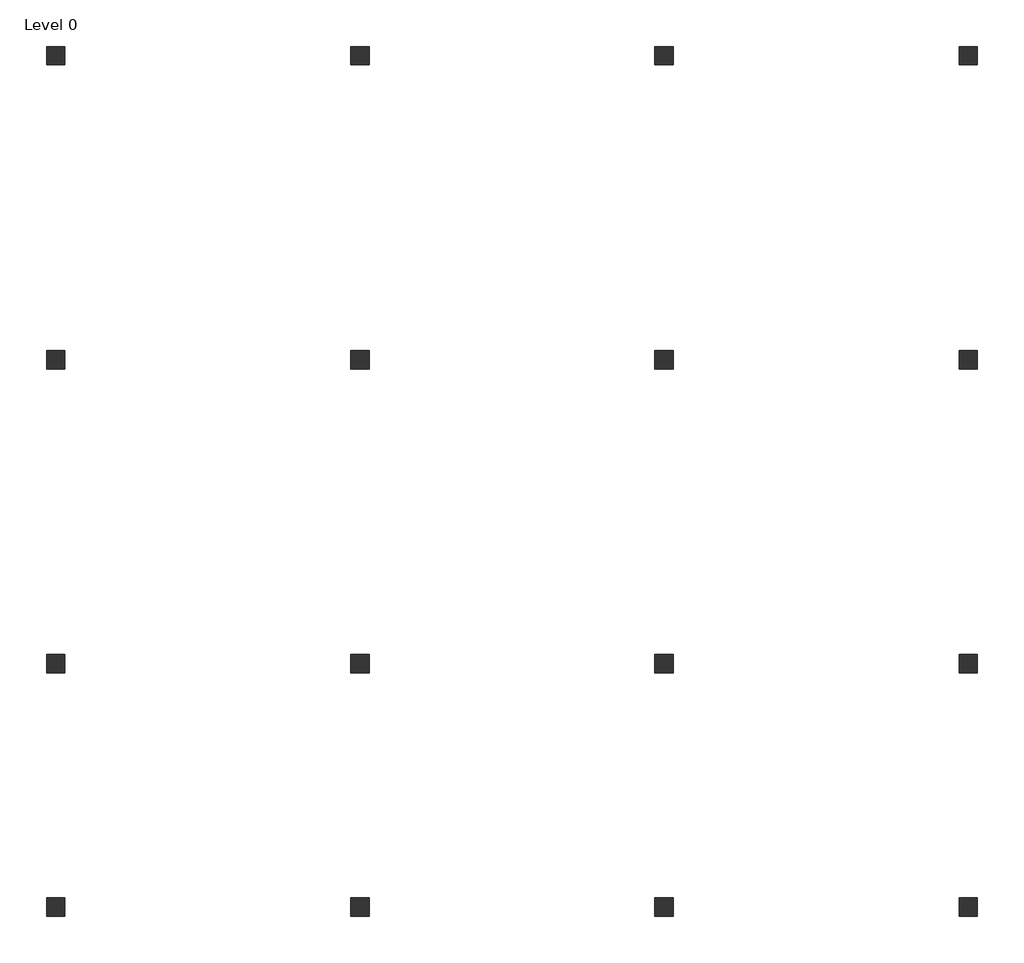
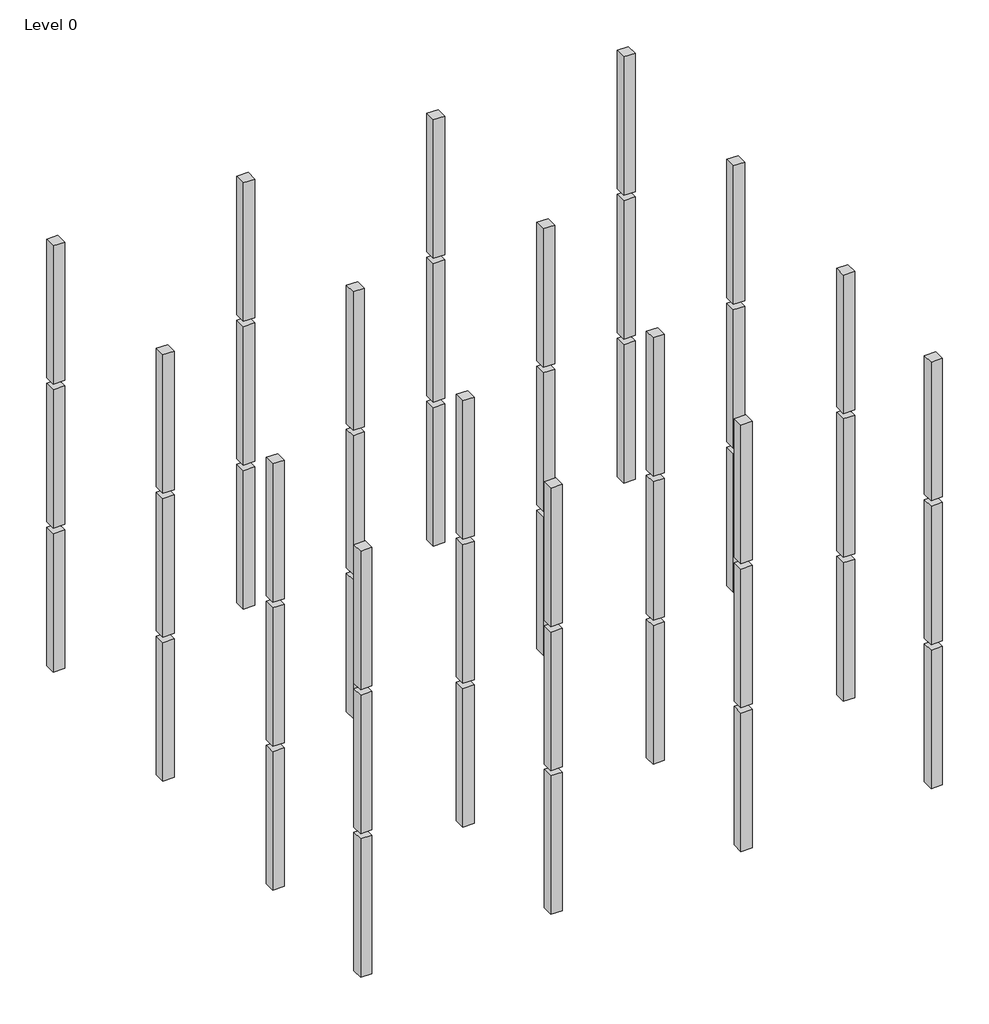
# One storey: 16 columns.
"""IFC4 building model written with IfcOpenShell, lengths in millimetres."""

import ifcopenshell
import ifcopenshell.guid

model = None  # the IFC model being written
_history = None  # IfcOwnerHistory: only IFC2X3 demands one
_inside = {}  # id of a spatial element -> (the spatial element, [elements in it])
_under = {}  # id of a project, library or spatial element -> (it, [spatial elements below it])
_declared = {}  # id of a project -> (the project, [libraries it declares])
_typed = {}  # id of a type object -> (the type object, [elements of that type])
_made_of = {}  # id of a material, layer set ... -> (it, [elements and type objects made of it])


def new_model(schema):
    """Start an empty IFC model of exactly this schema.

    Asked for "IFC4X3", IfcOpenShell would pick the latest addendum, in which some entities
    have other attributes; the version numbers below select the first issue.
    IFC2X3 requires an IfcOwnerHistory on every rooted entity: one is made here for all.
    """
    global model, _history
    if schema == "IFC4X3":
        model = ifcopenshell.file(schema_version=(4, 3, 0, 0))
    else:
        model = ifcopenshell.file(schema=schema)
    _inside.clear()
    _under.clear()
    _declared.clear()
    _typed.clear()
    _made_of.clear()
    _history = None
    if model.schema == "IFC2X3":
        org = make("IfcOrganization", Name="unknown")
        user = make(
            "IfcPersonAndOrganization",
            ThePerson=make("IfcPerson", FamilyName="unknown"),
            TheOrganization=org,
        )
        app = make(
            "IfcApplication",
            ApplicationDeveloper=org,
            Version="unknown",
            ApplicationFullName="unknown",
            ApplicationIdentifier="unknown",
        )
        _history = make(
            "IfcOwnerHistory",
            OwningUser=user,
            OwningApplication=app,
            ChangeAction="ADDED",
            CreationDate=0,
        )
    return model


def make(cls, **values):
    """One entity of the class cls with the attributes given. An attribute that is None is left unset."""
    return model.create_entity(
        cls, **{name: value for name, value in values.items() if value is not None}
    )


def rooted(cls, **values):
    """An entity with a GlobalId (a new one), such as an element, a storey or a relation."""
    return make(cls, GlobalId=ifcopenshell.guid.new(), OwnerHistory=_history, **values)


def si_unit(unit_type, name, prefix=None):
    """IfcSIUnit, for example si_unit("LENGTHUNIT", "METRE", prefix="MILLI")."""
    return make("IfcSIUnit", UnitType=unit_type, Prefix=prefix, Name=name)


def assignment(units):
    """IfcUnitAssignment: the units of a project."""
    return None if units is None else make("IfcUnitAssignment", Units=units)


def point(xyz):
    """IfcCartesianPoint."""
    return None if xyz is None else make("IfcCartesianPoint", Coordinates=xyz)


def direction(xyz):
    """IfcDirection."""
    return None if xyz is None else make("IfcDirection", DirectionRatios=xyz)


def frame(location, z_axis=None, x_axis=None):
    """IfcAxis2Placement3D, a coordinate frame: its origin and axes. An axis left out is left unset."""
    return make(
        "IfcAxis2Placement3D",
        Location=point(location),
        Axis=direction(z_axis),
        RefDirection=direction(x_axis),
    )


def origin():
    """The frame at (0, 0, 0) with its axes left unset."""
    return frame((0.0, 0.0, 0.0))


def origin_with_axes():
    """The frame at (0, 0, 0) with the z axis (0, 0, 1) and the x axis (1, 0, 0) written out."""
    return frame((0.0, 0.0, 0.0), z_axis=(0.0, 0.0, 1.0), x_axis=(1.0, 0.0, 0.0))


def place(relative_to, where):
    """IfcLocalPlacement: puts the frame where relative to a parent placement (None: the world)."""
    return make(
        "IfcLocalPlacement", PlacementRelTo=relative_to, RelativePlacement=where
    )


def context(
    kind, dimensions, precision=None, world=None, true_north=None, identifier=None
):
    """IfcGeometricRepresentationContext, for example the 3D "Model" context."""
    return make(
        "IfcGeometricRepresentationContext",
        ContextIdentifier=identifier,
        ContextType=kind,
        CoordinateSpaceDimension=dimensions,
        Precision=precision,
        WorldCoordinateSystem=world,
        TrueNorth=true_north,
    )


def project(units=None, contexts=None):
    """IfcProject with its units and contexts."""
    return rooted(
        "IfcProject",
        Name="project",
        RepresentationContexts=contexts,
        UnitsInContext=assignment(units),
    )


def spatial(cls, under=None, at=None, **own):
    """A site, building, storey or space (cls), placed at a placement, below another one or the project."""
    s = rooted(cls, ObjectPlacement=at, **own)
    if under is not None:
        _under.setdefault(under.id(), (under, []))[1].append(s)
    return s


def polyline(points):
    """IfcPolyline through the points."""
    return make("IfcPolyline", Points=[point(p) for p in points])


def outline(outer, holes=None, kind="AREA"):
    """IfcArbitraryClosedProfileDef: a profile drawn as a closed curve; with holes, ...WithVoids."""
    if holes is None:
        return make("IfcArbitraryClosedProfileDef", ProfileType=kind, OuterCurve=outer)
    return make(
        "IfcArbitraryProfileDefWithVoids",
        ProfileType=kind,
        OuterCurve=outer,
        InnerCurves=holes,
    )


def extrude(swept, where, along, depth):
    """IfcExtrudedAreaSolid: the profile swept, set in the frame where, extruded along a direction by depth."""
    return make(
        "IfcExtrudedAreaSolid",
        SweptArea=swept,
        Position=where,
        ExtrudedDirection=direction(along),
        Depth=depth,
    )


def faces_of(points, faces, orient=None, outer=None):
    """IfcFace entities. A face is a list of loops; a loop is a list of indices into points, from 0.

    orient and outer hold one flag for each loop. By default every Orientation is true, the
    first loop of a face is its IfcFaceOuterBound and the others are IfcFaceBound.
    """
    made = []
    for i, loops in enumerate(faces):
        bounds = []
        for j, loop in enumerate(loops):
            is_outer = j == 0 if outer is None else outer[i][j]
            bounds.append(
                make(
                    "IfcFaceOuterBound" if is_outer else "IfcFaceBound",
                    Bound=make("IfcPolyLoop", Polygon=[points[k] for k in loop]),
                    Orientation=True if orient is None else orient[i][j],
                )
            )
        made.append(make("IfcFace", Bounds=bounds))
    return made


def faceted_brep(points, faces, orient=None, outer=None, voids=None):
    """IfcFacetedBrep: a solid bounded by flat faces; with voids (closed shells), ...WithVoids."""
    shared = [point(p) for p in points]
    hull = make("IfcClosedShell", CfsFaces=faces_of(shared, faces, orient, outer))
    if voids is None:
        return make("IfcFacetedBrep", Outer=hull)
    return make(
        "IfcFacetedBrepWithVoids",
        Outer=hull,
        Voids=[
            make(cls, CfsFaces=faces_of(shared, fs, o, b)) for cls, fs, o, b in voids
        ],
    )


def shape(context_of_items, identifier, shape_type, items):
    """IfcShapeRepresentation: the items that make up one representation, for example the "Body"."""
    return make(
        "IfcShapeRepresentation",
        ContextOfItems=context_of_items,
        RepresentationIdentifier=identifier,
        RepresentationType=shape_type,
        Items=items,
    )


def made_of(thing, what):
    """Note that an element or type object is made of a material, layer set ...; save() writes the relation."""
    if what is not None:
        _made_of.setdefault(what.id(), (what, []))[1].append(thing)
    return thing


def element(
    cls,
    number,
    at=None,
    inside=None,
    cuts=None,
    type_object=None,
    material=None,
    context=None,
    identifier="Body",
    shape_type=None,
    held_by="IfcProductDefinitionShape",
    body=None,
    shapes=None,
    **own,
):
    """One element of the class cls, such as IfcWall. Its Tag is "e" and its number.

    at: its placement. inside: the storey or other place that contains it. cuts: it is an
    opening in that element (IfcRelVoidsElement). A single representation is given by context,
    identifier, shape_type and body (its items); several are given by shapes. held_by: the class
    of the entity that holds the representations. save() writes the other relations.
    """
    e = rooted(cls, Tag="e%d" % number, ObjectPlacement=at, **own)
    if body is not None:
        shapes = [shape(context, identifier, shape_type, body)]
    if shapes is not None:
        e.Representation = make(held_by, Representations=shapes)
    if inside is not None:
        _inside.setdefault(inside.id(), (inside, []))[1].append(e)
    if cuts is not None:
        rooted(
            "IfcRelVoidsElement", RelatingBuildingElement=cuts, RelatedOpeningElement=e
        )
    if type_object is not None:
        _typed.setdefault(type_object.id(), (type_object, []))[1].append(e)
    return made_of(e, material)


def aggregate(whole, parts):
    """IfcRelAggregates: a whole, such as a stair, and the parts it consists of."""
    return rooted("IfcRelAggregates", RelatingObject=whole, RelatedObjects=parts)


def save(model, path):
    """Write the relations noted so far, then the file.

    IfcRelAggregates (storeys below a building ...), IfcRelContainedInSpatialStructure (elements
    in a storey), IfcRelDefinesByType, IfcRelAssociatesMaterial and IfcRelDeclares: one each for
    every whole, place, type object, material and project.
    """
    for whole, parts in _under.values():
        aggregate(whole, parts)
    for where, things in _inside.values():
        rooted(
            "IfcRelContainedInSpatialStructure",
            RelatedElements=things,
            RelatingStructure=where,
        )
    for kind, things in _typed.values():
        rooted("IfcRelDefinesByType", RelatedObjects=things, RelatingType=kind)
    for what, things in _made_of.values():
        rooted("IfcRelAssociatesMaterial", RelatedObjects=things, RelatingMaterial=what)
    for by, libraries in _declared.values():
        rooted("IfcRelDeclares", RelatingContext=by, RelatedDefinitions=libraries)
    model.write(path)


model = new_model("IFC4")

# Units and contexts
model_context = context("Model", 3, world=origin())
ifc_project = project(units=[si_unit("LENGTHUNIT", "METRE", prefix="MILLI")], contexts=[model_context])

# Site, building, storey
site = spatial("IfcSite", under=ifc_project)
building = spatial("IfcBuilding", under=site)
storey = spatial("IfcBuildingStorey", under=building, Name="Level 0", Elevation=0.0)

# Columns
placement = place(None, origin())
element("IfcColumn", 1, ObjectType="M_Concrete-Square-Column : 300 x 300mm", at=placement, inside=storey, context=model_context, shape_type="SweptSolid", body=[
    extrude(outline(polyline([(-47341.1943878, -36458.351884), (-47341.1943878, -36758.351884), (-47641.1943878, -36758.351884), (-47641.1943878, -36458.351884), (-47341.1943878, -36458.351884)])), origin_with_axes(), (0.0, 0.0, 1.0), 3850.0),
    extrude(outline(polyline([(-47341.1943878, -36458.351884), (-47341.1943878, -36758.351884), (-47641.1943878, -36758.351884), (-47641.1943878, -36458.351884), (-47341.1943878, -36458.351884)])), frame((0.0, 0.0, 8000.0), z_axis=(0.0, 0.0, 1.0), x_axis=(1.0, 0.0, 0.0)), (0.0, 0.0, 1.0), 3850.0),
    extrude(outline(polyline([(-47341.1943878, -36458.351884), (-47341.1943878, -36758.351884), (-47641.1943878, -36758.351884), (-47641.1943878, -36458.351884), (-47341.1943878, -36458.351884)])), frame((0.0, 0.0, 4000.0), z_axis=(0.0, 0.0, 1.0), x_axis=(1.0, 0.0, 0.0)), (0.0, 0.0, 1.0), 3850.0),
])
element("IfcColumn", 2, ObjectType="M_Concrete-Square-Column : 300 x 300mm", at=placement, inside=storey, context=model_context, shape_type="Brep", body=[
    faceted_brep([(-47341.1943878, -32458.351884, 0.0), (-47341.1943878, -32758.351884, 0.0), (-47641.1943878, -32758.351884, 0.0), (-47641.1943878, -32458.351884, 0.0), (-47341.1943878, -32758.351884, 3850.0), (-47341.1943878, -32458.351884, 3850.0), (-47641.1943878, -32458.351884, 3850.0), (-47641.1943878, -32758.351884, 3850.0), (-47341.1943878, -32458.351884, 3400.0), (-47341.1943878, -32758.351884, 3400.0), (-47641.1943878, -32758.351884, 3400.0), (-47641.1943878, -32458.351884, 3400.0)], [[[0, 1, 2, 3]], [[4, 5, 6, 7]], [[1, 0, 8, 5, 4, 9]], [[2, 1, 9, 4, 7, 10]], [[3, 2, 10, 7, 6, 11]], [[0, 3, 11, 6, 5, 8]]]),
    faceted_brep([(-47341.1943878, -32758.351884, 8000.0), (-47341.1943878, -32458.351884, 8000.0), (-47341.1943878, -32458.351884, 11400.0), (-47341.1943878, -32458.351884, 11850.0), (-47341.1943878, -32758.351884, 11850.0), (-47341.1943878, -32758.351884, 11400.0), (-47641.1943878, -32758.351884, 8000.0), (-47641.1943878, -32758.351884, 11850.0), (-47641.1943878, -32758.351884, 11400.0), (-47641.1943878, -32458.351884, 8000.0), (-47641.1943878, -32458.351884, 11850.0), (-47641.1943878, -32458.351884, 11400.0)], [[[0, 1, 2, 3, 4, 5]], [[6, 0, 5, 4, 7, 8]], [[9, 6, 8, 7, 10, 11]], [[1, 9, 11, 10, 3, 2]], [[1, 0, 6, 9]], [[4, 3, 10, 7]]]),
    faceted_brep([(-47341.1943878, -32458.351884, 4000.0), (-47341.1943878, -32758.351884, 4000.0), (-47641.1943878, -32758.351884, 4000.0), (-47641.1943878, -32458.351884, 4000.0), (-47341.1943878, -32758.351884, 7850.0), (-47341.1943878, -32458.351884, 7850.0), (-47641.1943878, -32458.351884, 7850.0), (-47641.1943878, -32758.351884, 7850.0), (-47341.1943878, -32458.351884, 7400.0), (-47341.1943878, -32758.351884, 7400.0), (-47641.1943878, -32758.351884, 7400.0), (-47641.1943878, -32458.351884, 7400.0)], [[[0, 1, 2, 3]], [[4, 5, 6, 7]], [[1, 0, 8, 5, 4, 9]], [[2, 1, 9, 4, 7, 10]], [[3, 2, 10, 7, 6, 11]], [[0, 3, 11, 6, 5, 8]]]),
])
element("IfcColumn", 3, ObjectType="M_Concrete-Square-Column : 300 x 300mm", at=placement, inside=storey, context=model_context, shape_type="Brep", body=[
    faceted_brep([(-47341.1943878, -27458.351884, 0.0), (-47341.1943878, -27758.351884, 0.0), (-47641.1943878, -27758.351884, 0.0), (-47641.1943878, -27458.351884, 0.0), (-47341.1943878, -27758.351884, 3850.0), (-47341.1943878, -27458.351884, 3850.0), (-47641.1943878, -27458.351884, 3850.0), (-47641.1943878, -27758.351884, 3850.0), (-47341.1943878, -27458.351884, 3400.0), (-47341.1943878, -27758.351884, 3400.0), (-47641.1943878, -27758.351884, 3400.0), (-47641.1943878, -27458.351884, 3400.0)], [[[0, 1, 2, 3]], [[4, 5, 6, 7]], [[1, 0, 8, 5, 4, 9]], [[2, 1, 9, 4, 7, 10]], [[3, 2, 10, 7, 6, 11]], [[0, 3, 11, 6, 5, 8]]]),
    faceted_brep([(-47341.1943878, -27758.351884, 8000.0), (-47341.1943878, -27458.351884, 8000.0), (-47341.1943878, -27458.351884, 11400.0), (-47341.1943878, -27458.351884, 11850.0), (-47341.1943878, -27758.351884, 11850.0), (-47341.1943878, -27758.351884, 11400.0), (-47641.1943878, -27758.351884, 8000.0), (-47641.1943878, -27758.351884, 11850.0), (-47641.1943878, -27758.351884, 11400.0), (-47641.1943878, -27458.351884, 8000.0), (-47641.1943878, -27458.351884, 11850.0), (-47641.1943878, -27458.351884, 11400.0)], [[[0, 1, 2, 3, 4, 5]], [[6, 0, 5, 4, 7, 8]], [[9, 6, 8, 7, 10, 11]], [[1, 9, 11, 10, 3, 2]], [[1, 0, 6, 9]], [[4, 3, 10, 7]]]),
    faceted_brep([(-47341.1943878, -27458.351884, 4000.0), (-47341.1943878, -27758.351884, 4000.0), (-47641.1943878, -27758.351884, 4000.0), (-47641.1943878, -27458.351884, 4000.0), (-47341.1943878, -27758.351884, 7850.0), (-47341.1943878, -27458.351884, 7850.0), (-47641.1943878, -27458.351884, 7850.0), (-47641.1943878, -27758.351884, 7850.0), (-47341.1943878, -27458.351884, 7400.0), (-47341.1943878, -27758.351884, 7400.0), (-47641.1943878, -27758.351884, 7400.0), (-47641.1943878, -27458.351884, 7400.0)], [[[0, 1, 2, 3]], [[4, 5, 6, 7]], [[1, 0, 8, 5, 4, 9]], [[2, 1, 9, 4, 7, 10]], [[3, 2, 10, 7, 6, 11]], [[0, 3, 11, 6, 5, 8]]]),
])
element("IfcColumn", 4, ObjectType="M_Concrete-Square-Column : 300 x 300mm", at=placement, inside=storey, context=model_context, shape_type="SweptSolid", body=[
    extrude(outline(polyline([(-47341.1943878, -22458.351884), (-47341.1943878, -22758.351884), (-47641.1943878, -22758.351884), (-47641.1943878, -22458.351884), (-47341.1943878, -22458.351884)])), origin_with_axes(), (0.0, 0.0, 1.0), 3850.0),
    extrude(outline(polyline([(-47341.1943878, -22458.351884), (-47341.1943878, -22758.351884), (-47641.1943878, -22758.351884), (-47641.1943878, -22458.351884), (-47341.1943878, -22458.351884)])), frame((0.0, 0.0, 8000.0), z_axis=(0.0, 0.0, 1.0), x_axis=(1.0, 0.0, 0.0)), (0.0, 0.0, 1.0), 3850.0),
    extrude(outline(polyline([(-47341.1943878, -22458.351884), (-47341.1943878, -22758.351884), (-47641.1943878, -22758.351884), (-47641.1943878, -22458.351884), (-47341.1943878, -22458.351884)])), frame((0.0, 0.0, 4000.0), z_axis=(0.0, 0.0, 1.0), x_axis=(1.0, 0.0, 0.0)), (0.0, 0.0, 1.0), 3850.0),
])
element("IfcColumn", 5, ObjectType="M_Concrete-Square-Column : 300 x 300mm", at=placement, inside=storey, context=model_context, shape_type="Brep", body=[
    faceted_brep([(-42341.1943878, -36458.351884, 0.0), (-42341.1943878, -36758.351884, 0.0), (-42641.1943878, -36758.351884, 0.0), (-42641.1943878, -36458.351884, 0.0), (-42341.1943878, -36758.351884, 3850.0), (-42341.1943878, -36458.351884, 3850.0), (-42641.1943878, -36458.351884, 3850.0), (-42641.1943878, -36758.351884, 3850.0), (-42341.1943878, -36458.351884, 3400.0), (-42341.1943878, -36758.351884, 3400.0), (-42641.1943878, -36758.351884, 3400.0), (-42641.1943878, -36458.351884, 3400.0)], [[[0, 1, 2, 3]], [[4, 5, 6, 7]], [[1, 0, 8, 5, 4, 9]], [[2, 1, 9, 4, 7, 10]], [[3, 2, 10, 7, 6, 11]], [[0, 3, 11, 6, 5, 8]]]),
    faceted_brep([(-42341.1943878, -36758.351884, 8000.0), (-42341.1943878, -36458.351884, 8000.0), (-42341.1943878, -36458.351884, 11400.0), (-42341.1943878, -36458.351884, 11850.0), (-42341.1943878, -36758.351884, 11850.0), (-42341.1943878, -36758.351884, 11400.0), (-42641.1943878, -36758.351884, 8000.0), (-42641.1943878, -36758.351884, 11850.0), (-42641.1943878, -36758.351884, 11400.0), (-42641.1943878, -36458.351884, 8000.0), (-42641.1943878, -36458.351884, 11850.0), (-42641.1943878, -36458.351884, 11400.0)], [[[0, 1, 2, 3, 4, 5]], [[6, 0, 5, 4, 7, 8]], [[9, 6, 8, 7, 10, 11]], [[1, 9, 11, 10, 3, 2]], [[1, 0, 6, 9]], [[4, 3, 10, 7]]]),
    faceted_brep([(-42341.1943878, -36458.351884, 4000.0), (-42341.1943878, -36758.351884, 4000.0), (-42641.1943878, -36758.351884, 4000.0), (-42641.1943878, -36458.351884, 4000.0), (-42341.1943878, -36758.351884, 7850.0), (-42341.1943878, -36458.351884, 7850.0), (-42641.1943878, -36458.351884, 7850.0), (-42641.1943878, -36758.351884, 7850.0), (-42341.1943878, -36458.351884, 7400.0), (-42341.1943878, -36758.351884, 7400.0), (-42641.1943878, -36758.351884, 7400.0), (-42641.1943878, -36458.351884, 7400.0)], [[[0, 1, 2, 3]], [[4, 5, 6, 7]], [[1, 0, 8, 5, 4, 9]], [[2, 1, 9, 4, 7, 10]], [[3, 2, 10, 7, 6, 11]], [[0, 3, 11, 6, 5, 8]]]),
])
element("IfcColumn", 6, ObjectType="M_Concrete-Square-Column : 300 x 300mm", at=placement, inside=storey, context=model_context, shape_type="Brep", body=[
    faceted_brep([(-42341.1943878, -32458.351884, 0.0), (-42341.1943878, -32758.351884, 0.0), (-42641.1943878, -32758.351884, 0.0), (-42641.1943878, -32458.351884, 0.0), (-42341.1943878, -32758.351884, 3850.0), (-42341.1943878, -32458.351884, 3850.0), (-42641.1943878, -32458.351884, 3850.0), (-42641.1943878, -32758.351884, 3850.0), (-42341.1943878, -32458.351884, 3400.0), (-42341.1943878, -32758.351884, 3400.0), (-42641.1943878, -32758.351884, 3400.0), (-42641.1943878, -32458.351884, 3400.0)], [[[0, 1, 2, 3]], [[4, 5, 6, 7]], [[1, 0, 8, 5, 4, 9]], [[2, 1, 9, 4, 7, 10]], [[3, 2, 10, 7, 6, 11]], [[0, 3, 11, 6, 5, 8]]]),
    faceted_brep([(-42341.1943878, -32758.351884, 8000.0), (-42341.1943878, -32458.351884, 8000.0), (-42341.1943878, -32458.351884, 11400.0), (-42341.1943878, -32458.351884, 11850.0), (-42341.1943878, -32758.351884, 11850.0), (-42341.1943878, -32758.351884, 11400.0), (-42641.1943878, -32758.351884, 8000.0), (-42641.1943878, -32758.351884, 11850.0), (-42641.1943878, -32758.351884, 11400.0), (-42641.1943878, -32458.351884, 8000.0), (-42641.1943878, -32458.351884, 11850.0), (-42641.1943878, -32458.351884, 11400.0)], [[[0, 1, 2, 3, 4, 5]], [[6, 0, 5, 4, 7, 8]], [[9, 6, 8, 7, 10, 11]], [[1, 9, 11, 10, 3, 2]], [[1, 0, 6, 9]], [[4, 3, 10, 7]]]),
    faceted_brep([(-42341.1943878, -32458.351884, 4000.0), (-42341.1943878, -32758.351884, 4000.0), (-42641.1943878, -32758.351884, 4000.0), (-42641.1943878, -32458.351884, 4000.0), (-42341.1943878, -32758.351884, 7850.0), (-42341.1943878, -32458.351884, 7850.0), (-42641.1943878, -32458.351884, 7850.0), (-42641.1943878, -32758.351884, 7850.0), (-42341.1943878, -32458.351884, 7400.0), (-42341.1943878, -32758.351884, 7400.0), (-42641.1943878, -32758.351884, 7400.0), (-42641.1943878, -32458.351884, 7400.0)], [[[0, 1, 2, 3]], [[4, 5, 6, 7]], [[1, 0, 8, 5, 4, 9]], [[2, 1, 9, 4, 7, 10]], [[3, 2, 10, 7, 6, 11]], [[0, 3, 11, 6, 5, 8]]]),
])
element("IfcColumn", 7, ObjectType="M_Concrete-Square-Column : 300 x 300mm", at=placement, inside=storey, context=model_context, shape_type="Brep", body=[
    faceted_brep([(-42341.1943878, -27458.351884, 0.0), (-42341.1943878, -27758.351884, 0.0), (-42641.1943878, -27758.351884, 0.0), (-42641.1943878, -27458.351884, 0.0), (-42341.1943878, -27758.351884, 3850.0), (-42341.1943878, -27458.351884, 3850.0), (-42641.1943878, -27458.351884, 3850.0), (-42641.1943878, -27758.351884, 3850.0), (-42341.1943878, -27458.351884, 3400.0), (-42341.1943878, -27758.351884, 3400.0), (-42641.1943878, -27758.351884, 3400.0), (-42641.1943878, -27458.351884, 3400.0)], [[[0, 1, 2, 3]], [[4, 5, 6, 7]], [[1, 0, 8, 5, 4, 9]], [[2, 1, 9, 4, 7, 10]], [[3, 2, 10, 7, 6, 11]], [[0, 3, 11, 6, 5, 8]]]),
    faceted_brep([(-42341.1943878, -27758.351884, 8000.0), (-42341.1943878, -27458.351884, 8000.0), (-42341.1943878, -27458.351884, 11400.0), (-42341.1943878, -27458.351884, 11850.0), (-42341.1943878, -27758.351884, 11850.0), (-42341.1943878, -27758.351884, 11400.0), (-42641.1943878, -27758.351884, 8000.0), (-42641.1943878, -27758.351884, 11850.0), (-42641.1943878, -27758.351884, 11400.0), (-42641.1943878, -27458.351884, 8000.0), (-42641.1943878, -27458.351884, 11850.0), (-42641.1943878, -27458.351884, 11400.0)], [[[0, 1, 2, 3, 4, 5]], [[6, 0, 5, 4, 7, 8]], [[9, 6, 8, 7, 10, 11]], [[1, 9, 11, 10, 3, 2]], [[1, 0, 6, 9]], [[4, 3, 10, 7]]]),
    faceted_brep([(-42341.1943878, -27458.351884, 4000.0), (-42341.1943878, -27758.351884, 4000.0), (-42641.1943878, -27758.351884, 4000.0), (-42641.1943878, -27458.351884, 4000.0), (-42341.1943878, -27758.351884, 7850.0), (-42341.1943878, -27458.351884, 7850.0), (-42641.1943878, -27458.351884, 7850.0), (-42641.1943878, -27758.351884, 7850.0), (-42341.1943878, -27458.351884, 7400.0), (-42341.1943878, -27758.351884, 7400.0), (-42641.1943878, -27758.351884, 7400.0), (-42641.1943878, -27458.351884, 7400.0)], [[[0, 1, 2, 3]], [[4, 5, 6, 7]], [[1, 0, 8, 5, 4, 9]], [[2, 1, 9, 4, 7, 10]], [[3, 2, 10, 7, 6, 11]], [[0, 3, 11, 6, 5, 8]]]),
])
element("IfcColumn", 8, ObjectType="M_Concrete-Square-Column : 300 x 300mm", at=placement, inside=storey, context=model_context, shape_type="Brep", body=[
    faceted_brep([(-42341.1943878, -22458.351884, 0.0), (-42341.1943878, -22758.351884, 0.0), (-42641.1943878, -22758.351884, 0.0), (-42641.1943878, -22458.351884, 0.0), (-42341.1943878, -22758.351884, 3850.0), (-42341.1943878, -22458.351884, 3850.0), (-42641.1943878, -22458.351884, 3850.0), (-42641.1943878, -22758.351884, 3850.0), (-42341.1943878, -22458.351884, 3400.0), (-42341.1943878, -22758.351884, 3400.0), (-42641.1943878, -22758.351884, 3400.0), (-42641.1943878, -22458.351884, 3400.0)], [[[0, 1, 2, 3]], [[4, 5, 6, 7]], [[1, 0, 8, 5, 4, 9]], [[2, 1, 9, 4, 7, 10]], [[3, 2, 10, 7, 6, 11]], [[0, 3, 11, 6, 5, 8]]]),
    faceted_brep([(-42341.1943878, -22758.351884, 8000.0), (-42341.1943878, -22458.351884, 8000.0), (-42341.1943878, -22458.351884, 11400.0), (-42341.1943878, -22458.351884, 11850.0), (-42341.1943878, -22758.351884, 11850.0), (-42341.1943878, -22758.351884, 11400.0), (-42641.1943878, -22758.351884, 8000.0), (-42641.1943878, -22758.351884, 11850.0), (-42641.1943878, -22758.351884, 11400.0), (-42641.1943878, -22458.351884, 8000.0), (-42641.1943878, -22458.351884, 11850.0), (-42641.1943878, -22458.351884, 11400.0)], [[[0, 1, 2, 3, 4, 5]], [[6, 0, 5, 4, 7, 8]], [[9, 6, 8, 7, 10, 11]], [[1, 9, 11, 10, 3, 2]], [[1, 0, 6, 9]], [[4, 3, 10, 7]]]),
    faceted_brep([(-42341.1943878, -22458.351884, 4000.0), (-42341.1943878, -22758.351884, 4000.0), (-42641.1943878, -22758.351884, 4000.0), (-42641.1943878, -22458.351884, 4000.0), (-42341.1943878, -22758.351884, 7850.0), (-42341.1943878, -22458.351884, 7850.0), (-42641.1943878, -22458.351884, 7850.0), (-42641.1943878, -22758.351884, 7850.0), (-42341.1943878, -22458.351884, 7400.0), (-42341.1943878, -22758.351884, 7400.0), (-42641.1943878, -22758.351884, 7400.0), (-42641.1943878, -22458.351884, 7400.0)], [[[0, 1, 2, 3]], [[4, 5, 6, 7]], [[1, 0, 8, 5, 4, 9]], [[2, 1, 9, 4, 7, 10]], [[3, 2, 10, 7, 6, 11]], [[0, 3, 11, 6, 5, 8]]]),
])
element("IfcColumn", 9, ObjectType="M_Concrete-Square-Column : 300 x 300mm", at=placement, inside=storey, context=model_context, shape_type="Brep", body=[
    faceted_brep([(-37341.1943878, -36458.351884, 0.0), (-37341.1943878, -36758.351884, 0.0), (-37641.1943878, -36758.351884, 0.0), (-37641.1943878, -36458.351884, 0.0), (-37341.1943878, -36758.351884, 3850.0), (-37341.1943878, -36458.351884, 3850.0), (-37641.1943878, -36458.351884, 3850.0), (-37641.1943878, -36758.351884, 3850.0), (-37341.1943878, -36458.351884, 3400.0), (-37341.1943878, -36758.351884, 3400.0), (-37641.1943878, -36758.351884, 3400.0), (-37641.1943878, -36458.351884, 3400.0)], [[[0, 1, 2, 3]], [[4, 5, 6, 7]], [[1, 0, 8, 5, 4, 9]], [[2, 1, 9, 4, 7, 10]], [[3, 2, 10, 7, 6, 11]], [[0, 3, 11, 6, 5, 8]]]),
    faceted_brep([(-37341.1943878, -36758.351884, 8000.0), (-37341.1943878, -36458.351884, 8000.0), (-37341.1943878, -36458.351884, 11400.0), (-37341.1943878, -36458.351884, 11850.0), (-37341.1943878, -36758.351884, 11850.0), (-37341.1943878, -36758.351884, 11400.0), (-37641.1943878, -36758.351884, 8000.0), (-37641.1943878, -36758.351884, 11850.0), (-37641.1943878, -36758.351884, 11400.0), (-37641.1943878, -36458.351884, 8000.0), (-37641.1943878, -36458.351884, 11850.0), (-37641.1943878, -36458.351884, 11400.0)], [[[0, 1, 2, 3, 4, 5]], [[6, 0, 5, 4, 7, 8]], [[9, 6, 8, 7, 10, 11]], [[1, 9, 11, 10, 3, 2]], [[1, 0, 6, 9]], [[4, 3, 10, 7]]]),
    faceted_brep([(-37341.1943878, -36458.351884, 4000.0), (-37341.1943878, -36758.351884, 4000.0), (-37641.1943878, -36758.351884, 4000.0), (-37641.1943878, -36458.351884, 4000.0), (-37341.1943878, -36758.351884, 7850.0), (-37341.1943878, -36458.351884, 7850.0), (-37641.1943878, -36458.351884, 7850.0), (-37641.1943878, -36758.351884, 7850.0), (-37341.1943878, -36458.351884, 7400.0), (-37341.1943878, -36758.351884, 7400.0), (-37641.1943878, -36758.351884, 7400.0), (-37641.1943878, -36458.351884, 7400.0)], [[[0, 1, 2, 3]], [[4, 5, 6, 7]], [[1, 0, 8, 5, 4, 9]], [[2, 1, 9, 4, 7, 10]], [[3, 2, 10, 7, 6, 11]], [[0, 3, 11, 6, 5, 8]]]),
])
element("IfcColumn", 10, ObjectType="M_Concrete-Square-Column : 300 x 300mm", at=placement, inside=storey, context=model_context, shape_type="Brep", body=[
    faceted_brep([(-37341.1943878, -32458.351884, 0.0), (-37341.1943878, -32758.351884, 0.0), (-37641.1943878, -32758.351884, 0.0), (-37641.1943878, -32458.351884, 0.0), (-37341.1943878, -32758.351884, 3850.0), (-37341.1943878, -32458.351884, 3850.0), (-37641.1943878, -32458.351884, 3850.0), (-37641.1943878, -32758.351884, 3850.0), (-37341.1943878, -32458.351884, 3400.0), (-37341.1943878, -32758.351884, 3400.0), (-37641.1943878, -32758.351884, 3400.0), (-37641.1943878, -32458.351884, 3400.0)], [[[0, 1, 2, 3]], [[4, 5, 6, 7]], [[1, 0, 8, 5, 4, 9]], [[2, 1, 9, 4, 7, 10]], [[3, 2, 10, 7, 6, 11]], [[0, 3, 11, 6, 5, 8]]]),
    faceted_brep([(-37341.1943878, -32758.351884, 8000.0), (-37341.1943878, -32458.351884, 8000.0), (-37341.1943878, -32458.351884, 11400.0), (-37341.1943878, -32458.351884, 11850.0), (-37341.1943878, -32758.351884, 11850.0), (-37341.1943878, -32758.351884, 11400.0), (-37641.1943878, -32758.351884, 8000.0), (-37641.1943878, -32758.351884, 11850.0), (-37641.1943878, -32758.351884, 11400.0), (-37641.1943878, -32458.351884, 8000.0), (-37641.1943878, -32458.351884, 11850.0), (-37641.1943878, -32458.351884, 11400.0)], [[[0, 1, 2, 3, 4, 5]], [[6, 0, 5, 4, 7, 8]], [[9, 6, 8, 7, 10, 11]], [[1, 9, 11, 10, 3, 2]], [[1, 0, 6, 9]], [[4, 3, 10, 7]]]),
    faceted_brep([(-37341.1943878, -32458.351884, 4000.0), (-37341.1943878, -32758.351884, 4000.0), (-37641.1943878, -32758.351884, 4000.0), (-37641.1943878, -32458.351884, 4000.0), (-37341.1943878, -32758.351884, 7850.0), (-37341.1943878, -32458.351884, 7850.0), (-37641.1943878, -32458.351884, 7850.0), (-37641.1943878, -32758.351884, 7850.0), (-37341.1943878, -32458.351884, 7400.0), (-37341.1943878, -32758.351884, 7400.0), (-37641.1943878, -32758.351884, 7400.0), (-37641.1943878, -32458.351884, 7400.0)], [[[0, 1, 2, 3]], [[4, 5, 6, 7]], [[1, 0, 8, 5, 4, 9]], [[2, 1, 9, 4, 7, 10]], [[3, 2, 10, 7, 6, 11]], [[0, 3, 11, 6, 5, 8]]]),
])
element("IfcColumn", 11, ObjectType="M_Concrete-Square-Column : 300 x 300mm", at=placement, inside=storey, context=model_context, shape_type="Brep", body=[
    faceted_brep([(-37341.1943878, -27458.351884, 0.0), (-37341.1943878, -27758.351884, 0.0), (-37641.1943878, -27758.351884, 0.0), (-37641.1943878, -27458.351884, 0.0), (-37341.1943878, -27758.351884, 3850.0), (-37341.1943878, -27458.351884, 3850.0), (-37641.1943878, -27458.351884, 3850.0), (-37641.1943878, -27758.351884, 3850.0), (-37341.1943878, -27458.351884, 3400.0), (-37341.1943878, -27758.351884, 3400.0), (-37641.1943878, -27758.351884, 3400.0), (-37641.1943878, -27458.351884, 3400.0)], [[[0, 1, 2, 3]], [[4, 5, 6, 7]], [[1, 0, 8, 5, 4, 9]], [[2, 1, 9, 4, 7, 10]], [[3, 2, 10, 7, 6, 11]], [[0, 3, 11, 6, 5, 8]]]),
    faceted_brep([(-37341.1943878, -27758.351884, 8000.0), (-37341.1943878, -27458.351884, 8000.0), (-37341.1943878, -27458.351884, 11400.0), (-37341.1943878, -27458.351884, 11850.0), (-37341.1943878, -27758.351884, 11850.0), (-37341.1943878, -27758.351884, 11400.0), (-37641.1943878, -27758.351884, 8000.0), (-37641.1943878, -27758.351884, 11850.0), (-37641.1943878, -27758.351884, 11400.0), (-37641.1943878, -27458.351884, 8000.0), (-37641.1943878, -27458.351884, 11850.0), (-37641.1943878, -27458.351884, 11400.0)], [[[0, 1, 2, 3, 4, 5]], [[6, 0, 5, 4, 7, 8]], [[9, 6, 8, 7, 10, 11]], [[1, 9, 11, 10, 3, 2]], [[1, 0, 6, 9]], [[4, 3, 10, 7]]]),
    faceted_brep([(-37341.1943878, -27458.351884, 4000.0), (-37341.1943878, -27758.351884, 4000.0), (-37641.1943878, -27758.351884, 4000.0), (-37641.1943878, -27458.351884, 4000.0), (-37341.1943878, -27758.351884, 7850.0), (-37341.1943878, -27458.351884, 7850.0), (-37641.1943878, -27458.351884, 7850.0), (-37641.1943878, -27758.351884, 7850.0), (-37341.1943878, -27458.351884, 7400.0), (-37341.1943878, -27758.351884, 7400.0), (-37641.1943878, -27758.351884, 7400.0), (-37641.1943878, -27458.351884, 7400.0)], [[[0, 1, 2, 3]], [[4, 5, 6, 7]], [[1, 0, 8, 5, 4, 9]], [[2, 1, 9, 4, 7, 10]], [[3, 2, 10, 7, 6, 11]], [[0, 3, 11, 6, 5, 8]]]),
])
element("IfcColumn", 12, ObjectType="M_Concrete-Square-Column : 300 x 300mm", at=placement, inside=storey, context=model_context, shape_type="Brep", body=[
    faceted_brep([(-37341.1943878, -22458.351884, 0.0), (-37341.1943878, -22758.351884, 0.0), (-37641.1943878, -22758.351884, 0.0), (-37641.1943878, -22458.351884, 0.0), (-37341.1943878, -22758.351884, 3850.0), (-37341.1943878, -22458.351884, 3850.0), (-37641.1943878, -22458.351884, 3850.0), (-37641.1943878, -22758.351884, 3850.0), (-37341.1943878, -22458.351884, 3400.0), (-37341.1943878, -22758.351884, 3400.0), (-37641.1943878, -22758.351884, 3400.0), (-37641.1943878, -22458.351884, 3400.0)], [[[0, 1, 2, 3]], [[4, 5, 6, 7]], [[1, 0, 8, 5, 4, 9]], [[2, 1, 9, 4, 7, 10]], [[3, 2, 10, 7, 6, 11]], [[0, 3, 11, 6, 5, 8]]]),
    faceted_brep([(-37341.1943878, -22758.351884, 8000.0), (-37341.1943878, -22458.351884, 8000.0), (-37341.1943878, -22458.351884, 11400.0), (-37341.1943878, -22458.351884, 11850.0), (-37341.1943878, -22758.351884, 11850.0), (-37341.1943878, -22758.351884, 11400.0), (-37641.1943878, -22758.351884, 8000.0), (-37641.1943878, -22758.351884, 11850.0), (-37641.1943878, -22758.351884, 11400.0), (-37641.1943878, -22458.351884, 8000.0), (-37641.1943878, -22458.351884, 11850.0), (-37641.1943878, -22458.351884, 11400.0)], [[[0, 1, 2, 3, 4, 5]], [[6, 0, 5, 4, 7, 8]], [[9, 6, 8, 7, 10, 11]], [[1, 9, 11, 10, 3, 2]], [[1, 0, 6, 9]], [[4, 3, 10, 7]]]),
    faceted_brep([(-37341.1943878, -22458.351884, 4000.0), (-37341.1943878, -22758.351884, 4000.0), (-37641.1943878, -22758.351884, 4000.0), (-37641.1943878, -22458.351884, 4000.0), (-37341.1943878, -22758.351884, 7850.0), (-37341.1943878, -22458.351884, 7850.0), (-37641.1943878, -22458.351884, 7850.0), (-37641.1943878, -22758.351884, 7850.0), (-37341.1943878, -22458.351884, 7400.0), (-37341.1943878, -22758.351884, 7400.0), (-37641.1943878, -22758.351884, 7400.0), (-37641.1943878, -22458.351884, 7400.0)], [[[0, 1, 2, 3]], [[4, 5, 6, 7]], [[1, 0, 8, 5, 4, 9]], [[2, 1, 9, 4, 7, 10]], [[3, 2, 10, 7, 6, 11]], [[0, 3, 11, 6, 5, 8]]]),
])
element("IfcColumn", 13, ObjectType="M_Concrete-Square-Column : 300 x 300mm", at=placement, inside=storey, context=model_context, shape_type="SweptSolid", body=[
    extrude(outline(polyline([(-32341.1943878, -36458.351884), (-32341.1943878, -36758.351884), (-32641.1943878, -36758.351884), (-32641.1943878, -36458.351884), (-32341.1943878, -36458.351884)])), origin_with_axes(), (0.0, 0.0, 1.0), 3850.0),
    extrude(outline(polyline([(-32341.1943878, -36458.351884), (-32341.1943878, -36758.351884), (-32641.1943878, -36758.351884), (-32641.1943878, -36458.351884), (-32341.1943878, -36458.351884)])), frame((0.0, 0.0, 8000.0), z_axis=(0.0, 0.0, 1.0), x_axis=(1.0, 0.0, 0.0)), (0.0, 0.0, 1.0), 3850.0),
    extrude(outline(polyline([(-32341.1943878, -36458.351884), (-32341.1943878, -36758.351884), (-32641.1943878, -36758.351884), (-32641.1943878, -36458.351884), (-32341.1943878, -36458.351884)])), frame((0.0, 0.0, 4000.0), z_axis=(0.0, 0.0, 1.0), x_axis=(1.0, 0.0, 0.0)), (0.0, 0.0, 1.0), 3850.0),
])
element("IfcColumn", 14, ObjectType="M_Concrete-Square-Column : 300 x 300mm", at=placement, inside=storey, context=model_context, shape_type="Brep", body=[
    faceted_brep([(-32341.1943878, -32458.351884, 0.0), (-32341.1943878, -32758.351884, 0.0), (-32641.1943878, -32758.351884, 0.0), (-32641.1943878, -32458.351884, 0.0), (-32341.1943878, -32758.351884, 3850.0), (-32341.1943878, -32458.351884, 3850.0), (-32641.1943878, -32458.351884, 3850.0), (-32641.1943878, -32758.351884, 3850.0), (-32341.1943878, -32458.351884, 3400.0), (-32341.1943878, -32758.351884, 3400.0), (-32641.1943878, -32758.351884, 3400.0), (-32641.1943878, -32458.351884, 3400.0)], [[[0, 1, 2, 3]], [[4, 5, 6, 7]], [[1, 0, 8, 5, 4, 9]], [[2, 1, 9, 4, 7, 10]], [[3, 2, 10, 7, 6, 11]], [[0, 3, 11, 6, 5, 8]]]),
    faceted_brep([(-32341.1943878, -32758.351884, 8000.0), (-32341.1943878, -32458.351884, 8000.0), (-32341.1943878, -32458.351884, 11400.0), (-32341.1943878, -32458.351884, 11850.0), (-32341.1943878, -32758.351884, 11850.0), (-32341.1943878, -32758.351884, 11400.0), (-32641.1943878, -32758.351884, 8000.0), (-32641.1943878, -32758.351884, 11850.0), (-32641.1943878, -32758.351884, 11400.0), (-32641.1943878, -32458.351884, 8000.0), (-32641.1943878, -32458.351884, 11850.0), (-32641.1943878, -32458.351884, 11400.0)], [[[0, 1, 2, 3, 4, 5]], [[6, 0, 5, 4, 7, 8]], [[9, 6, 8, 7, 10, 11]], [[1, 9, 11, 10, 3, 2]], [[1, 0, 6, 9]], [[4, 3, 10, 7]]]),
    faceted_brep([(-32341.1943878, -32458.351884, 4000.0), (-32341.1943878, -32758.351884, 4000.0), (-32641.1943878, -32758.351884, 4000.0), (-32641.1943878, -32458.351884, 4000.0), (-32341.1943878, -32758.351884, 7850.0), (-32341.1943878, -32458.351884, 7850.0), (-32641.1943878, -32458.351884, 7850.0), (-32641.1943878, -32758.351884, 7850.0), (-32341.1943878, -32458.351884, 7400.0), (-32341.1943878, -32758.351884, 7400.0), (-32641.1943878, -32758.351884, 7400.0), (-32641.1943878, -32458.351884, 7400.0)], [[[0, 1, 2, 3]], [[4, 5, 6, 7]], [[1, 0, 8, 5, 4, 9]], [[2, 1, 9, 4, 7, 10]], [[3, 2, 10, 7, 6, 11]], [[0, 3, 11, 6, 5, 8]]]),
])
element("IfcColumn", 15, ObjectType="M_Concrete-Square-Column : 300 x 300mm", at=placement, inside=storey, context=model_context, shape_type="Brep", body=[
    faceted_brep([(-32341.1943878, -27458.351884, 0.0), (-32341.1943878, -27758.351884, 0.0), (-32641.1943878, -27758.351884, 0.0), (-32641.1943878, -27458.351884, 0.0), (-32341.1943878, -27758.351884, 3850.0), (-32341.1943878, -27458.351884, 3850.0), (-32641.1943878, -27458.351884, 3850.0), (-32641.1943878, -27758.351884, 3850.0), (-32341.1943878, -27458.351884, 3400.0), (-32341.1943878, -27758.351884, 3400.0), (-32641.1943878, -27758.351884, 3400.0), (-32641.1943878, -27458.351884, 3400.0)], [[[0, 1, 2, 3]], [[4, 5, 6, 7]], [[1, 0, 8, 5, 4, 9]], [[2, 1, 9, 4, 7, 10]], [[3, 2, 10, 7, 6, 11]], [[0, 3, 11, 6, 5, 8]]]),
    faceted_brep([(-32341.1943878, -27758.351884, 8000.0), (-32341.1943878, -27458.351884, 8000.0), (-32341.1943878, -27458.351884, 11400.0), (-32341.1943878, -27458.351884, 11850.0), (-32341.1943878, -27758.351884, 11850.0), (-32341.1943878, -27758.351884, 11400.0), (-32641.1943878, -27758.351884, 8000.0), (-32641.1943878, -27758.351884, 11850.0), (-32641.1943878, -27758.351884, 11400.0), (-32641.1943878, -27458.351884, 8000.0), (-32641.1943878, -27458.351884, 11850.0), (-32641.1943878, -27458.351884, 11400.0)], [[[0, 1, 2, 3, 4, 5]], [[6, 0, 5, 4, 7, 8]], [[9, 6, 8, 7, 10, 11]], [[1, 9, 11, 10, 3, 2]], [[1, 0, 6, 9]], [[4, 3, 10, 7]]]),
    faceted_brep([(-32341.1943878, -27458.351884, 4000.0), (-32341.1943878, -27758.351884, 4000.0), (-32641.1943878, -27758.351884, 4000.0), (-32641.1943878, -27458.351884, 4000.0), (-32341.1943878, -27758.351884, 7850.0), (-32341.1943878, -27458.351884, 7850.0), (-32641.1943878, -27458.351884, 7850.0), (-32641.1943878, -27758.351884, 7850.0), (-32341.1943878, -27458.351884, 7400.0), (-32341.1943878, -27758.351884, 7400.0), (-32641.1943878, -27758.351884, 7400.0), (-32641.1943878, -27458.351884, 7400.0)], [[[0, 1, 2, 3]], [[4, 5, 6, 7]], [[1, 0, 8, 5, 4, 9]], [[2, 1, 9, 4, 7, 10]], [[3, 2, 10, 7, 6, 11]], [[0, 3, 11, 6, 5, 8]]]),
])
element("IfcColumn", 16, ObjectType="M_Concrete-Square-Column : 300 x 300mm", at=placement, inside=storey, context=model_context, shape_type="SweptSolid", body=[
    extrude(outline(polyline([(-32341.1943878, -22458.351884), (-32341.1943878, -22758.351884), (-32641.1943878, -22758.351884), (-32641.1943878, -22458.351884), (-32341.1943878, -22458.351884)])), origin_with_axes(), (0.0, 0.0, 1.0), 3850.0),
    extrude(outline(polyline([(-32341.1943878, -22458.351884), (-32341.1943878, -22758.351884), (-32641.1943878, -22758.351884), (-32641.1943878, -22458.351884), (-32341.1943878, -22458.351884)])), frame((0.0, 0.0, 8000.0), z_axis=(0.0, 0.0, 1.0), x_axis=(1.0, 0.0, 0.0)), (0.0, 0.0, 1.0), 3850.0),
    extrude(outline(polyline([(-32341.1943878, -22458.351884), (-32341.1943878, -22758.351884), (-32641.1943878, -22758.351884), (-32641.1943878, -22458.351884), (-32341.1943878, -22458.351884)])), frame((0.0, 0.0, 4000.0), z_axis=(0.0, 0.0, 1.0), x_axis=(1.0, 0.0, 0.0)), (0.0, 0.0, 1.0), 3850.0),
])

save(model, "model.ifc")
